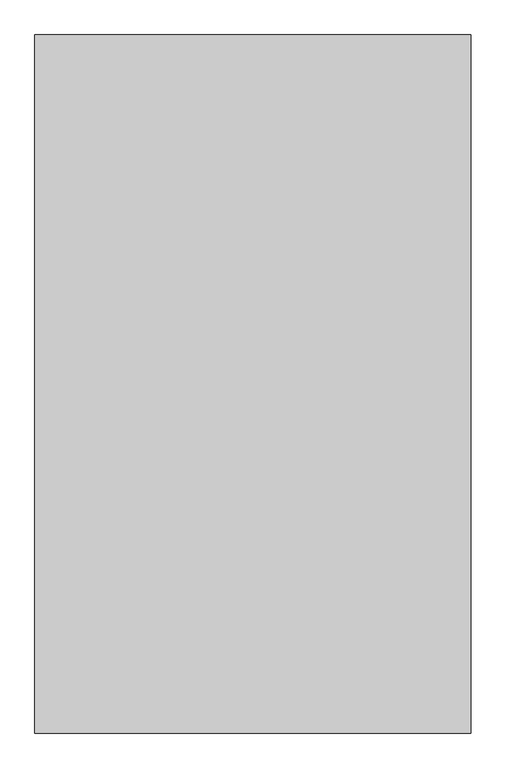
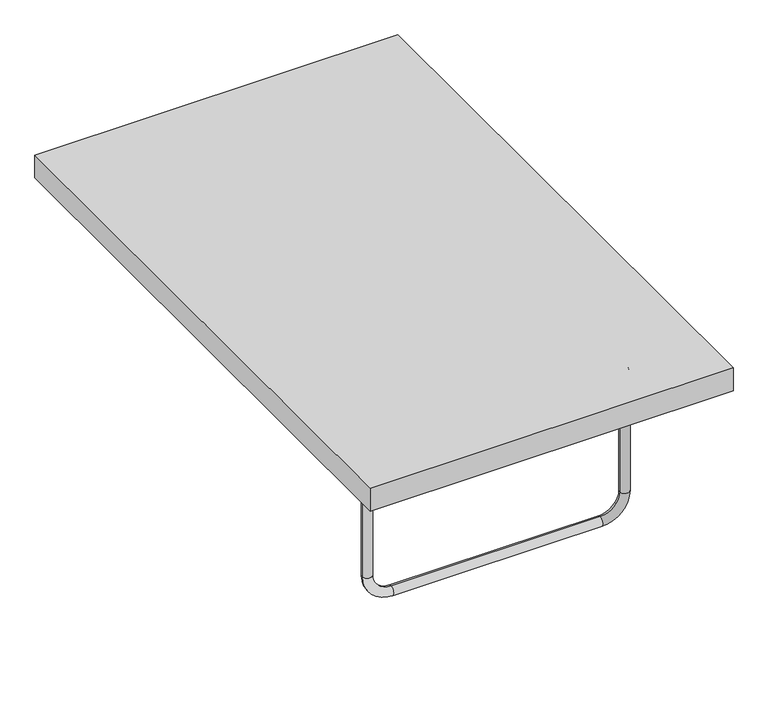
"""IFC4 building model written with IfcOpenShell, lengths in millimetres: furniture geometry."""

from ifc_helpers import new_model, si_unit, point, frame, origin, place, context, project, spatial, polyline, circle_curve, ellipse_curve, trimmed, outline, extrude, source, transform, mapped, element, save
from ifc_brep_helpers import cylinder_surface, revolved_surface, advanced_brep


def furniture_662da82c(model_context):
    return source(origin(), model_context, "Body", "SolidModel", [
        advanced_brep(
        [(511.9978081, -800.0, 600.0), (431.9978081, -800.0, 680.0), (431.9978081, -800.0, 720.0), (551.9978081, -800.0, 600.0), (551.9978081, -800.0, 100.0), (511.9978081, -800.0, 100.0), (431.9978081, -800.0, 20.0), (431.9978081, -800.0, -20.0), (-431.9978081, -800.0, -20.0), (-431.9978081, -800.0, 20.0), (-511.9978081, -800.0, 100.0), (-551.9978081, -800.0, 100.0), (-551.9978081, -800.0, 600.0), (-511.9978081, -800.0, 600.0), (-431.9978081, -800.0, 680.0), (-431.9978081, -800.0, 720.0)],
        [
            (0, 1, circle_curve(frame((431.9978081, -800.0, 600.0), z_axis=(0.0, -1.0, 0.0), x_axis=(0.0, 0.0, 1.0)), 80.0)),
            (1, 2, circle_curve(frame((431.9978081, -800.0, 700.0), z_axis=(1.0, 0.0, 0.0), x_axis=(0.0, 0.0, -1.0)), 20.0)),
            (2, 3, circle_curve(frame((431.9978081, -800.0, 600.0), z_axis=(0.0, 1.0, 0.0), x_axis=(0.0, 0.0, 1.0)), 120.0)),
            (3, 0, circle_curve(frame((531.9978081, -800.0, 600.0), z_axis=(0.0, 0.0, 1.0), x_axis=(-1.0, 0.0, 0.0)), 20.0)),
            (2, 1, circle_curve(frame((431.9978081, -800.0, 700.0), z_axis=(1.0, 0.0, 0.0), x_axis=(0.0, 0.0, -1.0)), 20.0)),
            (0, 3, circle_curve(frame((531.9978081, -800.0, 600.0), z_axis=(0.0, 0.0, 1.0), x_axis=(-1.0, 0.0, 0.0)), 20.0)),
            (3, 4),
            (4, 5, circle_curve(frame((531.9978081, -800.0, 100.0), z_axis=(0.0, 0.0, 1.0), x_axis=(-1.0, 0.0, 0.0)), 20.0)),
            (5, 0),
            (5, 4, circle_curve(frame((531.9978081, -800.0, 100.0), z_axis=(0.0, 0.0, 1.0), x_axis=(-1.0, 0.0, 0.0)), 20.0)),
            (6, 5, circle_curve(frame((431.9978081, -800.0, 100.0), z_axis=(0.0, -1.0, 0.0), x_axis=(1.0, 0.0, 0.0)), 80.0)),
            (4, 7, circle_curve(frame((431.9978081, -800.0, 100.0), z_axis=(0.0, 1.0, 0.0), x_axis=(1.0, 0.0, 0.0)), 120.0)),
            (7, 6, circle_curve(frame((431.9978081, -800.0, 0.0), z_axis=(1.0, 0.0, 0.0), x_axis=(0.0, 0.0, 1.0)), 20.0)),
            (6, 7, circle_curve(frame((431.9978081, -800.0, 0.0), z_axis=(1.0, 0.0, 0.0), x_axis=(0.0, 0.0, 1.0)), 20.0)),
            (7, 8),
            (8, 9, circle_curve(frame((-431.9978081, -800.0, 0.0), z_axis=(1.0, 0.0, 0.0), x_axis=(0.0, 0.0, 1.0)), 20.0)),
            (9, 6),
            (9, 8, circle_curve(frame((-431.9978081, -800.0, 0.0), z_axis=(1.0, 0.0, 0.0), x_axis=(0.0, 0.0, 1.0)), 20.0)),
            (10, 9, circle_curve(frame((-431.9978081, -800.0, 100.0), z_axis=(0.0, -1.0, 0.0), x_axis=(0.0, 0.0, -1.0)), 80.0)),
            (8, 11, circle_curve(frame((-431.9978081, -800.0, 100.0), z_axis=(0.0, 1.0, 0.0), x_axis=(0.0, 0.0, -1.0)), 120.0)),
            (11, 10, circle_curve(frame((-531.9978081, -800.0, 100.0), z_axis=(0.0, 0.0, -1.0), x_axis=(1.0, 0.0, 0.0)), 20.0)),
            (10, 11, circle_curve(frame((-531.9978081, -800.0, 100.0), z_axis=(0.0, 0.0, -1.0), x_axis=(1.0, 0.0, 0.0)), 20.0)),
            (11, 12),
            (12, 13, circle_curve(frame((-531.9978081, -800.0, 600.0), z_axis=(0.0, 0.0, -1.0), x_axis=(1.0, 0.0, 0.0)), 20.0)),
            (13, 10),
            (13, 12, circle_curve(frame((-531.9978081, -800.0, 600.0), z_axis=(0.0, 0.0, -1.0), x_axis=(1.0, 0.0, 0.0)), 20.0)),
            (14, 13, circle_curve(frame((-431.9978081, -800.0, 600.0), z_axis=(0.0, -1.0, 0.0), x_axis=(-1.0, 0.0, 0.0)), 80.0)),
            (12, 15, circle_curve(frame((-431.9978081, -800.0, 600.0), z_axis=(0.0, 1.0, 0.0), x_axis=(-1.0, 0.0, 0.0)), 120.0)),
            (15, 14, circle_curve(frame((-431.9978081, -800.0, 700.0), z_axis=(-1.0, 0.0, 0.0), x_axis=(0.0, 0.0, -1.0)), 20.0)),
            (14, 15, circle_curve(frame((-431.9978081, -800.0, 700.0), z_axis=(-1.0, 0.0, 0.0), x_axis=(0.0, 0.0, -1.0)), 20.0)),
            (15, 2),
            (1, 14),
        ],
        [
            revolved_surface(trimmed(ellipse_curve(frame((431.9978081, -800.0, 700.0), z_axis=(-1.0, 0.0, 0.0), x_axis=(0.0, 0.0, -1.0)), 20.0, 20.0), [point((431.9978081, -800.0, 720.0))], [point((431.9978081, -800.0, 680.0))], True, "CARTESIAN"), (431.9978081, -800.0, 600.0), (0.0, 1.0, 0.0)),
            revolved_surface(trimmed(ellipse_curve(frame((431.9978081, -800.0, 700.0), z_axis=(-1.0, 0.0, 0.0), x_axis=(0.0, 0.0, -1.0)), 20.0, 20.0), [point((431.9978081, -800.0, 680.0))], [point((431.9978081, -800.0, 720.0))], True, "CARTESIAN"), (431.9978081, -800.0, 600.0), (0.0, 1.0, 0.0)),
            cylinder_surface(frame((531.9978081, -800.0, 600.0), z_axis=(0.0, 0.0, 1.0), x_axis=(-1.0, 0.0, 0.0)), 20.0),
            revolved_surface(trimmed(ellipse_curve(frame((531.9978081, -800.0, 100.0), z_axis=(0.0, 0.0, 1.0), x_axis=(-1.0, 0.0, 0.0)), 20.0, 20.0), [point((551.9978081, -800.0, 100.0))], [point((511.9978081, -800.0, 100.0))], True, "CARTESIAN"), (431.9978081, -800.0, 100.0), (0.0, 1.0, 0.0)),
            revolved_surface(trimmed(ellipse_curve(frame((531.9978081, -800.0, 100.0), z_axis=(0.0, 0.0, 1.0), x_axis=(-1.0, 0.0, 0.0)), 20.0, 20.0), [point((511.9978081, -800.0, 100.0))], [point((551.9978081, -800.0, 100.0))], True, "CARTESIAN"), (431.9978081, -800.0, 100.0), (0.0, 1.0, 0.0)),
            cylinder_surface(frame((431.9978081, -800.0, 0.0), z_axis=(1.0, 0.0, 0.0), x_axis=(0.0, 0.0, 1.0)), 20.0),
            revolved_surface(trimmed(ellipse_curve(frame((-431.9978081, -800.0, 0.0), z_axis=(1.0, 0.0, 0.0), x_axis=(0.0, 0.0, 1.0)), 20.0, 20.0), [point((-431.9978081, -800.0, -20.0))], [point((-431.9978081, -800.0, 20.0))], True, "CARTESIAN"), (-431.9978081, -800.0, 100.0), (0.0, 1.0, 0.0)),
            revolved_surface(trimmed(ellipse_curve(frame((-431.9978081, -800.0, 0.0), z_axis=(1.0, 0.0, 0.0), x_axis=(0.0, 0.0, 1.0)), 20.0, 20.0), [point((-431.9978081, -800.0, 20.0))], [point((-431.9978081, -800.0, -20.0))], True, "CARTESIAN"), (-431.9978081, -800.0, 100.0), (0.0, 1.0, 0.0)),
            cylinder_surface(frame((-531.9978081, -800.0, 100.0), z_axis=(0.0, 0.0, -1.0), x_axis=(1.0, 0.0, 0.0)), 20.0),
            revolved_surface(trimmed(ellipse_curve(frame((-531.9978081, -800.0, 600.0), z_axis=(0.0, 0.0, -1.0), x_axis=(1.0, 0.0, 0.0)), 20.0, 20.0), [point((-551.9978081, -800.0, 600.0))], [point((-511.9978081, -800.0, 600.0))], True, "CARTESIAN"), (-431.9978081, -800.0, 600.0), (0.0, 1.0, 0.0)),
            revolved_surface(trimmed(ellipse_curve(frame((-531.9978081, -800.0, 600.0), z_axis=(0.0, 0.0, -1.0), x_axis=(1.0, 0.0, 0.0)), 20.0, 20.0), [point((-511.9978081, -800.0, 600.0))], [point((-551.9978081, -800.0, 600.0))], True, "CARTESIAN"), (-431.9978081, -800.0, 600.0), (0.0, 1.0, 0.0)),
            cylinder_surface(frame((-431.9978081, -800.0, 700.0), z_axis=(-1.0, 0.0, 0.0), x_axis=(0.0, 0.0, -1.0)), 20.0),
        ],
        [
            (0, [[1, 2, 3, 4]]),
            (1, [[-3, 5, -1, 6]]),
            (2, [[-4, 7, 8, 9]]),
            (2, [[-6, -9, 10, -7]]),
            (3, [[11, -8, 12, 13]]),
            (4, [[-12, -10, -11, 14]]),
            (5, [[-13, 15, 16, 17]]),
            (5, [[-14, -17, 18, -15]]),
            (6, [[19, -16, 20, 21]]),
            (7, [[-20, -18, -19, 22]]),
            (8, [[-21, 23, 24, 25]]),
            (8, [[-22, -25, 26, -23]]),
            (9, [[27, -24, 28, 29]]),
            (10, [[-28, -26, -27, 30]]),
            (11, [[-29, 31, -2, 32]]),
            (11, [[-30, -32, -5, -31]]),
        ],
    ),
        extrude(outline(polyline([(750.0, 1200.0), (750.0, -1200.0), (-750.0, -1200.0), (-750.0, 1200.0), (750.0, 1200.0)])), frame((0.0, 0.0, 700.0), z_axis=(0.0, 0.0, 1.0), x_axis=(1.0, 0.0, 0.0)), (0.0, 0.0, 1.0), 100.0),
    ])


if __name__ == "__main__":
    model = new_model("IFC4")
    model_context = context("Model", 3, world=origin())
    ifc_project = project(units=[si_unit("LENGTHUNIT", "METRE", prefix="MILLI")], contexts=[model_context])
    site = spatial("IfcSite", under=ifc_project)
    building = spatial("IfcBuilding", under=site)
    placement = place(None, origin())
    furniture_shape = furniture_662da82c(model_context)
    element("IfcFurniture", 1, at=placement, inside=building, context=model_context, shape_type="MappedRepresentation", body=[
        mapped(furniture_shape, transform((0.0, 0.0, 0.0), x_axis=(1.0, 0.0, 0.0), y_axis=(0.0, 1.0, 0.0), z_axis=(0.0, 0.0, 1.0))),
    ])
    save(model, "model.ifc")
